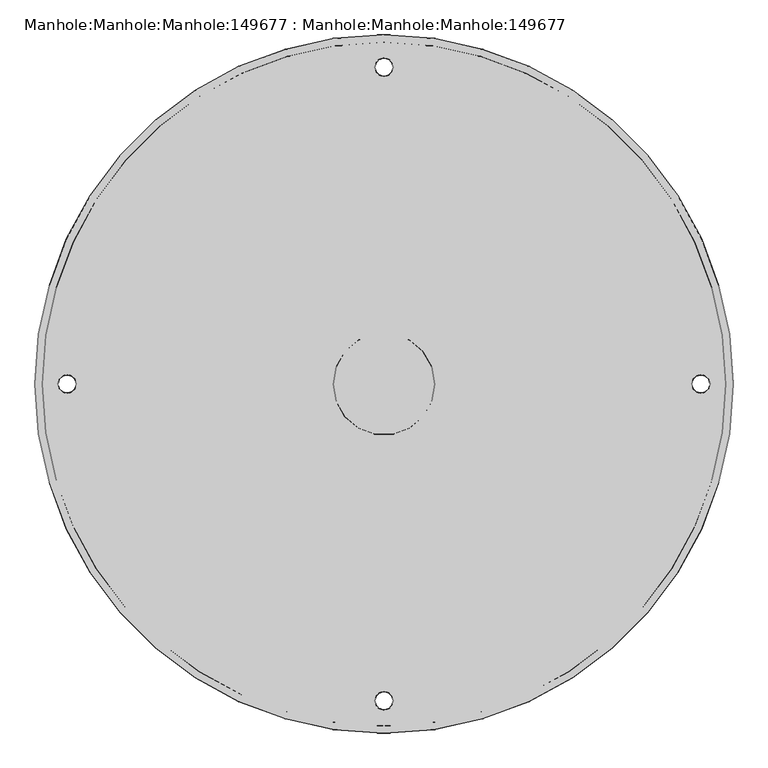
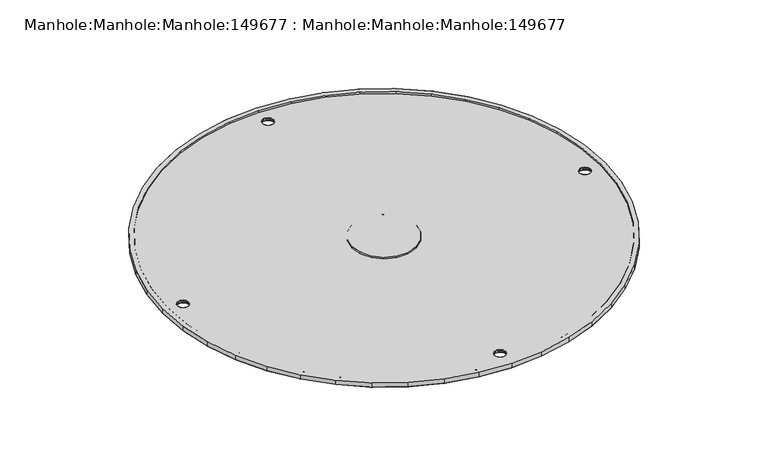
"""IFC4 building model written with IfcOpenShell, lengths in millimetres: proxy geometry, Manhole:Manhole:Manhole:149677 : Manhole:Manhole:Manhole:149677."""

from ifc_helpers import new_model, si_unit, origin, place, context, project, spatial, triangles, source, transform, mapped, element, save


def manhole_manhole_manhole_149677_manhole_manhole_manhole_b20cdffa(model_context):
    return source(origin(), model_context, "Body", "Tessellation", [
        triangles([(-95945.9947266, 1813.5850857, 238346.7353027), (-95952.198999, 1900.3393833, 238347.0887695), (-95970.6908936, 1985.3278004, 238347.4422363), (-96001.0890381, 2066.8199192, 238347.7770996), (-96042.7702148, 2143.1568295, 238348.0933594), (-96094.8879639, 2212.7847015, 238348.3910156), (-96156.3911865, 2274.2860348, 238348.6514648), (-96226.0241455, 2326.4088707, 238348.8561035), (-96302.3636719, 2368.0919369, 238349.0421387), (-96383.8563721, 2398.4870293, 238349.1537598), (-96468.8465332, 2416.9749996, 238349.2281738), (-96555.5947266, 2423.1798534, 238349.2653809), (-96642.3522217, 2416.9749996, 238349.2281738), (-96727.3423828, 2398.4870293, 238349.1537598), (-96808.835083, 2368.0919369, 238349.0421387), (-96885.1746094, 2326.4088707, 238348.8561035), (-96954.7982666, 2274.2860348, 238348.6514648), (-97016.3014893, 2212.7847015, 238348.3910156), (-97068.42854, 2143.1568295, 238348.0933594), (-97110.1097168, 2066.8199192, 238347.7770996), (-97140.5078613, 1985.3278004, 238347.4422363), (-97158.9904541, 1900.3393833, 238347.0887695), (-97165.1947266, 1813.5850857, 238346.7353027), (-97158.9904541, 1726.8306427, 238346.3818359), (-97140.5078613, 1641.842371, 238346.0283691), (-97110.1097168, 1560.3502522, 238345.6935059), (-97068.42854, 1484.0131966, 238345.3772461), (-97016.3014893, 1414.3853245, 238345.0795898), (-96954.7982666, 1352.8841366, 238344.8191406), (-96885.1746094, 1300.7613007, 238344.614502), (-96808.835083, 1259.0780891, 238344.4470703), (-96727.3423828, 1228.6831421, 238344.3168457), (-96642.3522217, 1210.1950991, 238344.2424316), (-96555.5947266, 1203.9903179, 238344.2052246), (-96468.8465332, 1210.1950991, 238344.2424316), (-96383.8563721, 1228.6831421, 238344.3168457), (-96302.3636719, 1259.0780891, 238344.4470703), (-96226.0241455, 1300.7613007, 238344.614502), (-96156.3911865, 1352.8841366, 238344.8191406), (-96094.8879639, 1414.3853245, 238345.0795898), (-96042.7702148, 1484.0131966, 238345.3772461), (-96001.0890381, 1560.3502522, 238345.6935059), (-95970.6908936, 1641.842371, 238346.0283691), (-95952.198999, 1726.8306427, 238346.3818359), (-97152.4978271, 1813.5850857, 238346.7353027), (-97146.4237793, 1898.5320808, 238347.0887695), (-97128.3225586, 1981.7498211, 238347.4236328), (-97098.5569336, 2061.5442238, 238347.7584961), (-97057.7408203, 2136.2908241, 238348.0747559), (-97006.7020752, 2204.468058, 238348.3538086), (-96946.4824951, 2264.6880741, 238348.5956543), (-96878.3099121, 2315.7249298, 238348.8188965), (-96803.5609863, 2356.539735, 238348.9863281), (-96723.7612061, 2386.3015812, 238349.1165527), (-96640.5476807, 2404.4044006, 238349.1909668), (-96555.5947266, 2410.4799019, 238349.2095703), (-96470.6510742, 2404.4044006, 238349.1909668), (-96387.4282471, 2386.3015812, 238349.1165527), (-96307.6377686, 2356.539735, 238348.9863281), (-96232.8888428, 2315.7249298, 238348.8188965), (-96164.706958, 2264.6880741, 238348.5956543), (-96104.4873779, 2204.468058, 238348.3538086), (-96053.4486328, 2136.2908241, 238348.0747559), (-96012.6418213, 2061.5442238, 238347.7584961), (-95982.8761963, 1981.7498211, 238347.4236328), (-95964.7749756, 1898.5320808, 238347.0887695), (-95958.7009277, 1813.5850857, 238346.7353027), (-95964.7749756, 1728.6380905, 238346.3818359), (-95982.8761963, 1645.4203503, 238346.0469727), (-96012.6418213, 1565.6259476, 238345.7121094), (-96053.4486328, 1490.8793472, 238345.3958496), (-96104.4873779, 1422.7021133, 238345.1167969), (-96164.706958, 1362.4819519, 238344.8749512), (-96232.8888428, 1311.4450962, 238344.651709), (-96307.6377686, 1270.6304363, 238344.4842773), (-96387.4282471, 1240.8685902, 238344.3726563), (-96470.6510742, 1222.7657707, 238344.2982422), (-96555.5947266, 1216.6901968, 238344.2610352), (-96640.5476807, 1222.7657707, 238344.2982422), (-96723.7612061, 1240.8685902, 238344.3726563), (-96803.5609863, 1270.6304363, 238344.4842773), (-96878.3099121, 1311.4450962, 238344.651709), (-96946.4824951, 1362.4819519, 238344.8749512), (-97006.7020752, 1422.7021133, 238345.1167969), (-97057.7408203, 1490.8793472, 238345.3958496), (-97098.5569336, 1565.6259476, 238345.7121094), (-97128.3225586, 1645.4203503, 238346.0469727), (-97146.4237793, 1728.6380905, 238346.3818359), (-96644.5009277, 1813.5850857, 238346.7353027), (-96639.1338135, 1783.1796741, 238346.6050781), (-96623.7021973, 1756.4417713, 238346.493457), (-96600.0478271, 1736.596035, 238346.419043), (-96571.0356445, 1726.0363598, 238346.3818359), (-96540.1631104, 1726.0363598, 238346.3818359), (-96511.1509277, 1736.596035, 238346.419043), (-96487.4965576, 1756.4417713, 238346.493457), (-96472.0556396, 1783.1796741, 238346.6050781), (-96466.6978271, 1813.5850857, 238346.7353027), (-96472.0556396, 1843.9903519, 238346.8655273), (-96487.4965576, 1870.7284, 238346.9771484), (-96511.1509277, 1890.5741364, 238347.0515625), (-96540.1631104, 1901.1336662, 238347.107373), (-96571.0356445, 1901.1336662, 238347.107373), (-96600.0478271, 1890.5741364, 238347.0515625), (-96623.7021973, 1870.7284, 238346.9771484), (-96639.1338135, 1843.9903519, 238346.8655273), (-95945.9947266, 1813.6376987, 238334.0291016), (-95952.198999, 1726.8832558, 238333.6756348), (-95970.6908936, 1641.8949841, 238333.322168), (-96001.0890381, 1560.4028652, 238332.9873047), (-96042.7702148, 1484.0658096, 238332.6710449), (-96094.8879639, 1414.4379375, 238332.3919922), (-96156.3911865, 1352.9367496, 238332.131543), (-96226.0241455, 1300.8139137, 238331.9083008), (-96302.3636719, 1259.1307022, 238331.7408691), (-96383.8563721, 1228.7357552, 238331.6106445), (-96468.8465332, 1210.2477121, 238331.5362305), (-96555.5947266, 1204.042931, 238331.517627), (-96642.3522217, 1210.2477121, 238331.5362305), (-96727.3423828, 1228.7357552, 238331.6106445), (-96808.835083, 1259.1307022, 238331.7408691), (-96885.1746094, 1300.8139137, 238331.9083008), (-96954.7982666, 1352.9367496, 238332.131543), (-97016.3014893, 1414.4379375, 238332.3919922), (-97068.42854, 1484.0658096, 238332.6710449), (-97110.1097168, 1560.4028652, 238332.9873047), (-97140.5078613, 1641.8949841, 238333.322168), (-97158.9904541, 1726.8832558, 238333.6756348), (-97165.1947266, 1813.6376987, 238334.0291016), (-97158.9904541, 1900.3919964, 238334.4011719), (-97140.5078613, 1985.3804134, 238334.7546387), (-97110.1097168, 2066.8725323, 238335.089502), (-97068.42854, 2143.2094425, 238335.4057617), (-97016.3014893, 2212.8373146, 238335.6848145), (-96954.7982666, 2274.3386478, 238335.9452637), (-96885.1746094, 2326.4614838, 238336.1685059), (-96808.835083, 2368.1445499, 238336.3359375), (-96727.3423828, 2398.539497, 238336.4661621), (-96642.3522217, 2417.0276127, 238336.5405762), (-96555.5947266, 2423.2324665, 238336.5591797), (-96468.8465332, 2417.0276127, 238336.5405762), (-96383.8563721, 2398.539497, 238336.4661621), (-96302.3636719, 2368.1445499, 238336.3359375), (-96226.0241455, 2326.4614838, 238336.1685059), (-96156.3911865, 2274.3386478, 238335.9452637), (-96094.8879639, 2212.8373146, 238335.6848145), (-96042.7702148, 2143.2094425, 238335.4057617), (-96001.0890381, 2066.8725323, 238335.089502), (-95970.6908936, 1985.3804134, 238334.7546387), (-95952.198999, 1900.3919964, 238334.4011719), (-96539.5864014, 1260.2957474, 238331.7408691), (-96541.1677002, 1267.2424164, 238331.7780762), (-96545.6139404, 1272.8132973, 238331.7966797), (-96552.0321533, 1275.9048237, 238331.8152832), (-96559.1572998, 1275.9048237, 238331.8152832), (-96565.5755127, 1272.8132973, 238331.7966797), (-96570.0217529, 1267.2424164, 238331.7780762), (-96571.6123535, 1260.2957474, 238331.7408691), (-96570.0217529, 1253.3490784, 238331.7222656), (-96565.5755127, 1247.7781975, 238331.6850586), (-96559.1572998, 1244.6866711, 238331.6850586), (-96552.0321533, 1244.6866711, 238331.6850586), (-96545.6139404, 1247.7781975, 238331.6850586), (-96541.1677002, 1253.3490784, 238331.7222656), (-96539.5864014, 2366.9796501, 238336.3359375), (-96541.1677002, 2373.9263191, 238336.354541), (-96545.6139404, 2379.4970547, 238336.3731445), (-96552.0321533, 2382.5887264, 238336.391748), (-96559.1572998, 2382.5887264, 238336.391748), (-96565.5755127, 2379.4970547, 238336.3731445), (-96570.0217529, 2373.9263191, 238336.354541), (-96571.6123535, 2366.9796501, 238336.3359375), (-96570.0217529, 2360.0329811, 238336.2987305), (-96565.5755127, 2354.4621002, 238336.280127), (-96559.1572998, 2351.3705738, 238336.2615234), (-96552.0321533, 2351.3705738, 238336.2615234), (-96545.6139404, 2354.4621002, 238336.280127), (-96541.1677002, 2360.0329811, 238336.2987305), (-97092.9293701, 1813.6376987, 238334.0291016), (-97094.5199707, 1820.5843678, 238334.0663086), (-97098.9569092, 1826.1551033, 238334.0849121), (-97105.3844238, 1829.2467751, 238334.1035156), (-97112.5095703, 1829.2467751, 238334.1035156), (-97118.9277832, 1826.1551033, 238334.0849121), (-97123.3647217, 1820.5843678, 238334.0663086), (-97124.9553223, 1813.6376987, 238334.0291016), (-97123.3647217, 1806.6910297, 238334.010498), (-97118.9277832, 1801.1201488, 238333.9918945), (-97112.5095703, 1798.0286224, 238333.973291), (-97105.3844238, 1798.0286224, 238333.973291), (-97098.9569092, 1801.1201488, 238333.9918945), (-97094.5199707, 1806.6910297, 238334.010498), (-96018.260083, 1813.6376987, 238334.0291016), (-96016.6787842, 1806.6910297, 238334.010498), (-96012.2325439, 1801.1201488, 238333.9918945), (-96005.8143311, 1798.0286224, 238333.973291), (-95998.6891846, 1798.0286224, 238333.973291), (-95992.2709717, 1801.1201488, 238333.9918945), (-95987.8247314, 1806.6910297, 238334.010498), (-95986.2434326, 1813.6376987, 238334.0291016), (-95987.8247314, 1820.5843678, 238334.0663086), (-95992.2709717, 1826.1551033, 238334.0849121), (-95998.6891846, 1829.2467751, 238334.1035156), (-96005.8143311, 1829.2467751, 238334.1035156), (-96012.2325439, 1826.1551033, 238334.0849121), (-96016.6787842, 1820.5843678, 238334.0663086), (-96570.5333496, 1264.2655632, 238339.7031738), (-96569.4636475, 1268.2680805, 238339.7217773), (-96544.6651611, 1271.1982796, 238339.7217773), (-96543.3908203, 1270.0278568, 238331.7780762), (-96567.7986328, 1270.0278568, 238331.7780762), (-96570.8124023, 1263.7690819, 238331.7594727), (-96571.6123535, 1260.2629005, 238339.6845703), (-96540.6561035, 1264.2655632, 238339.7031738), (-96540.3770508, 1263.7690819, 238331.7594727), (-96539.5864014, 1260.2629005, 238339.6845703), (-96563.60354, 1274.1283333, 238339.7403809), (-96566.5335938, 1271.1982796, 238339.7217773), (-96555.5947266, 1276.2734058, 238339.7403809), (-96555.5947266, 1275.9048237, 238331.8152832), (-96548.8230469, 1274.3589878, 238331.7966797), (-96547.5952148, 1274.1283333, 238339.7403809), (-96551.5949707, 1275.2007969, 238339.7403809), (-96559.6037842, 1275.2007969, 238339.7403809), (-96562.3664063, 1274.3589878, 238331.7966797), (-96541.7351074, 1268.2680805, 238339.7217773), (-96541.7351074, 1252.2575752, 238339.6473633), (-96540.6561035, 1256.2602379, 238339.6659668), (-96567.7986328, 1250.5636379, 238331.7036621), (-96566.5335938, 1249.3275215, 238339.6287598), (-96543.3908203, 1250.5636379, 238331.7036621), (-96540.3770508, 1256.8224129, 238331.7222656), (-96570.8124023, 1256.8224129, 238331.7222656), (-96570.5333496, 1256.2602379, 238339.6659668), (-96544.6651611, 1249.3275215, 238339.6287598), (-96547.5952148, 1246.3973225, 238339.6287598), (-96555.5947266, 1244.6866711, 238331.6850586), (-96555.5947266, 1244.2523952, 238339.6101563), (-96563.60354, 1246.3973225, 238339.6287598), (-96562.3664063, 1246.2325069, 238331.6850586), (-96559.6037842, 1245.3248589, 238339.6287598), (-96551.5949707, 1245.3248589, 238339.6287598), (-96548.8230469, 1246.2325069, 238331.6850586), (-96569.4636475, 1252.2575752, 238339.6473633), (-96569.4636475, 2374.9519833, 238344.2982422), (-96570.5333496, 2370.9493206, 238344.2796387), (-96543.3908203, 2376.7116142, 238336.3731445), (-96544.6651611, 2377.882037, 238344.3168457), (-96567.7986328, 2376.7116142, 238336.3731445), (-96571.6123535, 2366.9466579, 238344.2610352), (-96570.8124023, 2370.4529846, 238336.3359375), (-96539.5864014, 2366.9466579, 238344.2610352), (-96540.3770508, 2370.4529846, 238336.3359375), (-96540.6561035, 2370.9493206, 238344.2796387), (-96566.5335938, 2377.882037, 238344.3168457), (-96563.60354, 2380.812236, 238344.3168457), (-96555.5947266, 2382.5887264, 238336.391748), (-96555.5947266, 2382.9571632, 238344.3354492), (-96547.5952148, 2380.812236, 238344.3168457), (-96548.8230469, 2381.0428905, 238336.391748), (-96551.5949707, 2381.8846996, 238344.3354492), (-96559.6037842, 2381.8846996, 238344.3354492), (-96562.3664063, 2381.0428905, 238336.391748), (-96541.7351074, 2374.9519833, 238344.2982422), (-96540.6561035, 2362.9441406, 238344.2424316), (-96541.7351074, 2358.941478, 238344.2238281), (-96566.5335938, 2356.0112789, 238344.2238281), (-96567.7986328, 2357.2475407, 238336.280127), (-96543.3908203, 2357.2475407, 238336.280127), (-96540.3770508, 2363.5063156, 238336.317334), (-96570.5333496, 2362.9441406, 238344.2424316), (-96570.8124023, 2363.5063156, 238336.317334), (-96547.5952148, 2353.0812252, 238344.2052246), (-96544.6651611, 2356.0112789, 238344.2238281), (-96555.5947266, 2350.936298, 238344.2052246), (-96555.5947266, 2351.3705738, 238336.2615234), (-96562.3664063, 2352.9162643, 238336.2615234), (-96563.60354, 2353.0812252, 238344.2052246), (-96559.6037842, 2352.0087616, 238344.2052246), (-96551.5949707, 2352.0087616, 238344.2052246), (-96548.8230469, 2352.9162643, 238336.2615234), (-96569.4636475, 2358.941478, 238344.2238281), (-97122.8066162, 1821.6100319, 238342.0100098), (-97123.8856201, 1817.6073692, 238341.9914063), (-97098.0081299, 1824.5400856, 238342.0100098), (-97096.7430908, 1823.3698082, 238334.0849121), (-97121.1509033, 1823.3698082, 238334.0849121), (-97124.9553223, 1813.6047066, 238341.9728027), (-97124.1646729, 1817.1110332, 238334.0477051), (-97094.008374, 1817.6073692, 238341.9914063), (-97093.7293213, 1817.1110332, 238334.0477051), (-97092.9293701, 1813.6047066, 238341.9728027), (-97119.8765625, 1824.5400856, 238342.0100098), (-97116.9465088, 1827.4702847, 238342.0286133), (-97108.9469971, 1829.2467751, 238334.1035156), (-97108.9469971, 1829.6153572, 238342.0472168), (-97102.1753174, 1827.7009392, 238334.1035156), (-97100.9381836, 1827.4702847, 238342.0286133), (-97104.9379395, 1828.5427483, 238342.0286133), (-97112.9467529, 1828.5427483, 238342.0286133), (-97115.7186768, 1827.7009392, 238334.1035156), (-97095.0780762, 1821.6100319, 238342.0100098), (-97094.008374, 1809.6021893, 238341.9541992), (-97095.0780762, 1805.5995266, 238341.9355957), (-97121.1509033, 1803.9055893, 238333.9918945), (-97119.8765625, 1802.6694729, 238341.9355957), (-97096.7430908, 1803.9055893, 238333.9918945), (-97093.7293213, 1810.1643642, 238334.0291016), (-97124.1646729, 1810.1643642, 238334.0291016), (-97123.8856201, 1809.6021893, 238341.9541992), (-97100.9381836, 1799.7392738, 238341.9169922), (-97098.0081299, 1802.6694729, 238341.9355957), (-97108.9469971, 1798.0286224, 238333.973291), (-97108.9469971, 1797.5943466, 238341.8983887), (-97116.9465088, 1799.7392738, 238341.9169922), (-97115.7186768, 1799.574313, 238333.973291), (-97112.9467529, 1798.6668102, 238341.9169922), (-97104.9379395, 1798.6668102, 238341.9169922), (-97102.1753174, 1799.574313, 238333.973291), (-97122.8066162, 1805.5995266, 238341.9355957), (-95988.3828369, 1805.5995266, 238341.9355957), (-95987.3131348, 1809.6021893, 238341.9541992), (-96013.190625, 1802.6694729, 238341.9355957), (-96014.4556641, 1803.9055893, 238333.9918945), (-95990.0478516, 1803.9055893, 238333.9918945), (-95986.2434326, 1813.6047066, 238341.9728027), (-95987.034082, 1810.1643642, 238334.0291016), (-96017.1903809, 1809.6021893, 238341.9541992), (-96017.4694336, 1810.1643642, 238334.0291016), (-96018.260083, 1813.6047066, 238341.9728027), (-95991.3128906, 1802.6694729, 238341.9355957), (-95994.2429443, 1799.7392738, 238341.9169922), (-96002.2517578, 1798.0286224, 238333.973291), (-96002.2517578, 1797.5943466, 238341.8983887), (-96009.0234375, 1799.574313, 238333.973291), (-96010.2512695, 1799.7392738, 238341.9169922), (-96006.2515137, 1798.6668102, 238341.9169922), (-95998.252002, 1798.6668102, 238341.9169922), (-95995.4800781, 1799.574313, 238333.973291), (-96016.1206787, 1805.5995266, 238341.9355957), (-96017.1903809, 1817.6073692, 238341.9914063), (-96016.1206787, 1821.6100319, 238342.0100098), (-95990.0478516, 1823.3698082, 238334.0849121), (-95991.3128906, 1824.5400856, 238342.0100098), (-96014.4556641, 1823.3698082, 238334.0849121), (-96017.4694336, 1817.1110332, 238334.0477051), (-95987.034082, 1817.1110332, 238334.0477051), (-95987.3131348, 1817.6073692, 238341.9914063), (-96010.2512695, 1827.4702847, 238342.0286133), (-96013.190625, 1824.5400856, 238342.0100098), (-96002.2517578, 1829.2467751, 238334.1035156), (-96002.2517578, 1829.6153572, 238342.0472168), (-95994.2429443, 1827.4702847, 238342.0286133), (-95995.4800781, 1827.7009392, 238334.1035156), (-95998.252002, 1828.5427483, 238342.0286133), (-96006.2515137, 1828.5427483, 238342.0286133), (-96009.0234375, 1827.7009392, 238334.1035156), (-95988.3828369, 1821.6100319, 238342.0100098), (-95958.7009277, 1813.6048519, 238341.9728027), (-95964.7749756, 1898.5518471, 238342.3262695), (-95982.8761963, 1981.769442, 238342.6797363), (-96012.6418213, 2061.5638447, 238342.9959961), (-96053.4486328, 2136.3105904, 238343.3122559), (-96104.4873779, 2204.4878242, 238343.5913086), (-96164.706958, 2264.7078403, 238343.8331543), (-96232.8888428, 2315.744696, 238344.0563965), (-96307.6377686, 2356.5595013, 238344.2238281), (-96387.4282471, 2386.3212021, 238344.3540527), (-96470.6510742, 2404.4241669, 238344.4284668), (-96555.5947266, 2410.4996681, 238344.4470703), (-96640.5476807, 2404.4241669, 238344.4284668), (-96723.7612061, 2386.3212021, 238344.3540527), (-96803.5609863, 2356.5595013, 238344.2238281), (-96878.3099121, 2315.744696, 238344.0563965), (-96946.4824951, 2264.7078403, 238343.8331543), (-97006.7020752, 2204.4878242, 238343.5913086), (-97057.7408203, 2136.3105904, 238343.3122559), (-97098.5569336, 2061.5638447, 238342.9959961), (-97128.3225586, 1981.769442, 238342.6797363), (-97146.4237793, 1898.5518471, 238342.3262695), (-97152.4978271, 1813.6048519, 238341.9728027), (-97146.4237793, 1728.6578568, 238341.6193359), (-97128.3225586, 1645.4401165, 238341.2844727), (-97098.5569336, 1565.6457138, 238340.9496094), (-97057.7408203, 1490.8991135, 238340.6333496), (-97006.7020752, 1422.7217342, 238340.3542969), (-96946.4824951, 1362.5017181, 238340.1124512), (-96878.3099121, 1311.4648624, 238339.889209), (-96803.5609863, 1270.6500572, 238339.7217773), (-96723.7612061, 1240.8883564, 238339.6101563), (-96640.5476807, 1222.7853916, 238339.5357422), (-96555.5947266, 1216.7098904, 238339.4985352), (-96470.6510742, 1222.7853916, 238339.5357422), (-96387.4282471, 1240.8883564, 238339.6101563), (-96307.6377686, 1270.6500572, 238339.7217773), (-96232.8888428, 1311.4648624, 238339.889209), (-96164.706958, 1362.5017181, 238340.1124512), (-96104.4873779, 1422.7217342, 238340.3542969), (-96053.4486328, 1490.8991135, 238340.6333496), (-96012.6418213, 1565.6457138, 238340.9496094), (-95982.8761963, 1645.4401165, 238341.2844727), (-95964.7749756, 1728.6578568, 238341.6193359), (-96466.6978271, 1813.6048519, 238341.9728027), (-96472.0556396, 1783.1994404, 238341.8425781), (-96487.4965576, 1756.4613922, 238341.730957), (-96511.1509277, 1736.6158012, 238341.656543), (-96540.1631104, 1726.056126, 238341.6193359), (-96571.0356445, 1726.056126, 238341.6193359), (-96600.0478271, 1736.6158012, 238341.656543), (-96623.7021973, 1756.4613922, 238341.730957), (-96639.1338135, 1783.1994404, 238341.8425781), (-96644.5009277, 1813.6048519, 238341.9728027), (-96639.1338135, 1844.0101181, 238342.1030273), (-96623.7021973, 1870.7481663, 238342.2146484), (-96600.0478271, 1890.5937572, 238342.2890625), (-96571.0356445, 1901.1534325, 238342.344873), (-96540.1631104, 1901.1534325, 238342.344873), (-96511.1509277, 1890.5937572, 238342.2890625), (-96487.4965576, 1870.7481663, 238342.2146484), (-96472.0556396, 1844.0101181, 238342.1030273)], [[38, 74, 75], [74, 38, 39], [39, 40, 73], [39, 73, 74], [35, 36, 77], [77, 36, 76], [35, 77, 78], [76, 37, 75], [37, 76, 36], [75, 37, 38], [73, 40, 72], [43, 44, 68], [44, 67, 68], [67, 44, 1], [67, 1, 66], [43, 68, 69], [72, 41, 71], [41, 72, 40], [71, 41, 42], [42, 69, 70], [69, 42, 43], [42, 70, 71], [33, 34, 79], [79, 80, 33], [78, 79, 34], [34, 35, 78], [33, 80, 32], [32, 81, 31], [81, 32, 80], [31, 81, 82], [29, 30, 83], [82, 30, 31], [82, 83, 30], [84, 29, 83], [29, 84, 28], [85, 27, 28], [27, 85, 86], [85, 28, 84], [25, 26, 87], [86, 26, 27], [87, 26, 86], [88, 24, 25], [24, 88, 45], [88, 25, 87], [66, 2, 65], [2, 66, 1], [64, 65, 3], [3, 65, 2], [64, 3, 4], [4, 63, 64], [63, 4, 5], [63, 5, 62], [62, 6, 61], [6, 62, 5], [61, 6, 7], [60, 7, 8], [8, 9, 59], [59, 9, 58], [8, 59, 60], [58, 10, 57], [10, 58, 9], [57, 10, 11], [56, 11, 12], [11, 56, 57], [56, 12, 55], [60, 61, 7], [48, 20, 21], [20, 48, 49], [19, 49, 18], [18, 49, 50], [49, 19, 20], [45, 46, 23], [23, 46, 22], [45, 23, 24], [22, 47, 21], [47, 22, 46], [21, 47, 48], [53, 54, 14], [13, 14, 54], [13, 55, 12], [13, 54, 55], [53, 14, 15], [50, 17, 18], [50, 51, 17], [17, 51, 16], [52, 15, 16], [15, 52, 53], [52, 16, 51], [104, 105, 106], [104, 106, 103], [103, 106, 89], [99, 102, 98], [101, 99, 100], [99, 101, 102], [98, 102, 103], [103, 89, 98], [90, 91, 92], [92, 93, 90], [90, 93, 94], [89, 97, 98], [97, 95, 96], [95, 97, 94], [94, 97, 89], [89, 90, 94], [148, 206, 147], [149, 205, 148], [150, 203, 204], [203, 150, 202], [149, 150, 205], [146, 147, 206], [177, 142, 143], [144, 177, 143], [176, 145, 146], [144, 145, 176], [178, 141, 142], [204, 205, 150], [202, 107, 201], [107, 202, 150], [201, 107, 200], [199, 200, 107], [198, 199, 107], [198, 108, 197], [206, 176, 146], [205, 206, 148], [196, 197, 108], [154, 193, 194], [194, 195, 110], [176, 206, 193], [198, 107, 108], [193, 179, 175], [140, 167, 168], [140, 141, 167], [140, 168, 169], [165, 166, 141], [178, 165, 141], [141, 166, 167], [173, 138, 139], [170, 140, 169], [139, 140, 170], [171, 172, 139], [170, 171, 139], [172, 173, 139], [174, 137, 138], [174, 136, 137], [176, 193, 175], [136, 174, 175], [144, 176, 177], [174, 138, 173], [175, 134, 135], [135, 136, 175], [133, 134, 180], [133, 180, 132], [132, 181, 131], [131, 181, 130], [175, 180, 134], [178, 142, 177], [195, 196, 108], [195, 109, 110], [194, 110, 111], [154, 194, 112], [194, 111, 112], [113, 154, 112], [154, 114, 153], [153, 114, 115], [155, 193, 154], [193, 155, 179], [153, 115, 116], [154, 113, 114], [122, 155, 156], [151, 152, 117], [164, 151, 117], [164, 117, 163], [117, 152, 116], [163, 117, 118], [152, 153, 116], [158, 159, 119], [157, 158, 119], [162, 118, 161], [118, 162, 163], [160, 161, 118], [160, 119, 159], [119, 160, 118], [156, 157, 120], [182, 130, 181], [181, 132, 180], [179, 155, 192], [191, 192, 126], [179, 180, 175], [184, 185, 129], [184, 129, 130], [186, 187, 129], [188, 129, 187], [186, 129, 185], [184, 130, 183], [182, 183, 130], [123, 124, 155], [192, 155, 124], [121, 122, 156], [123, 155, 122], [125, 192, 124], [189, 190, 128], [188, 189, 128], [128, 191, 127], [190, 191, 128], [126, 127, 191], [125, 126, 192], [188, 128, 129], [156, 120, 121], [119, 120, 157], [195, 108, 109], [27, 26, 125], [126, 125, 26], [26, 25, 127], [127, 126, 26], [28, 27, 125], [125, 124, 28], [32, 31, 120], [121, 120, 31], [33, 32, 120], [120, 119, 33], [30, 29, 122], [123, 122, 29], [31, 30, 121], [122, 121, 30], [29, 28, 124], [124, 123, 29], [34, 33, 119], [119, 118, 34], [127, 25, 24], [24, 128, 127], [128, 24, 23], [23, 129, 128], [38, 37, 115], [115, 114, 38], [36, 35, 116], [117, 116, 35], [37, 36, 116], [116, 115, 37], [39, 38, 114], [114, 113, 39], [43, 42, 109], [110, 109, 42], [44, 43, 109], [109, 108, 44], [41, 40, 111], [112, 111, 40], [42, 41, 111], [111, 110, 42], [40, 39, 112], [113, 112, 39], [1, 44, 108], [108, 107, 1], [118, 117, 34], [35, 34, 117], [1, 107, 150], [150, 2, 1], [3, 149, 4], [148, 4, 149], [2, 150, 149], [149, 3, 2], [4, 148, 147], [147, 5, 4], [11, 10, 142], [142, 141, 11], [6, 146, 7], [145, 7, 146], [12, 11, 140], [141, 140, 11], [5, 147, 146], [146, 6, 5], [7, 145, 144], [144, 8, 7], [144, 143, 9], [9, 8, 144], [10, 9, 142], [143, 142, 9], [16, 15, 136], [137, 136, 15], [14, 13, 138], [139, 138, 13], [15, 14, 138], [138, 137, 15], [17, 16, 136], [136, 135, 17], [21, 20, 131], [132, 131, 20], [22, 21, 131], [131, 130, 22], [19, 18, 134], [134, 133, 19], [20, 19, 133], [133, 132, 20], [18, 17, 134], [135, 134, 17], [23, 22, 129], [130, 129, 22], [140, 139, 13], [13, 12, 140], [207, 157, 208], [209, 153, 210], [208, 157, 211], [158, 212, 213], [214, 215, 216], [156, 217, 218], [154, 219, 220], [155, 220, 219], [221, 153, 222], [211, 218, 208], [212, 157, 207], [212, 207, 213], [222, 223, 221], [155, 219, 224], [214, 152, 215], [217, 225, 224], [211, 156, 218], [209, 222, 153], [221, 223, 154], [155, 224, 225], [209, 210, 226], [214, 226, 152], [223, 219, 154], [151, 216, 215], [152, 226, 210], [217, 156, 225], [227, 164, 228], [229, 160, 230], [231, 164, 227], [216, 232, 151], [213, 233, 234], [235, 236, 163], [161, 237, 238], [162, 238, 237], [239, 160, 240], [227, 235, 231], [228, 164, 232], [216, 228, 232], [240, 241, 239], [242, 238, 162], [233, 159, 234], [242, 243, 236], [235, 163, 231], [160, 239, 230], [161, 241, 240], [243, 242, 162], [244, 229, 230], [159, 244, 234], [161, 238, 241], [233, 213, 158], [229, 244, 159], [243, 163, 236], [245, 171, 246], [247, 167, 248], [249, 171, 245], [250, 251, 172], [252, 253, 254], [255, 256, 170], [258, 168, 257], [257, 169, 258], [259, 167, 260], [245, 255, 249], [246, 171, 251], [250, 246, 251], [260, 261, 259], [262, 258, 169], [253, 166, 254], [262, 263, 256], [255, 170, 249], [167, 259, 248], [168, 261, 260], [263, 262, 169], [264, 247, 248], [166, 264, 254], [168, 258, 261], [253, 252, 165], [247, 264, 166], [263, 170, 256], [265, 178, 266], [267, 174, 268], [266, 178, 269], [165, 270, 252], [271, 272, 250], [177, 273, 274], [175, 275, 276], [176, 276, 275], [277, 174, 278], [269, 274, 266], [270, 178, 265], [270, 265, 252], [278, 279, 277], [176, 275, 280], [271, 173, 272], [273, 281, 280], [269, 177, 274], [267, 278, 174], [277, 279, 175], [176, 280, 281], [267, 268, 282], [271, 282, 173], [279, 275, 175], [172, 250, 272], [173, 282, 268], [273, 177, 281], [283, 185, 284], [285, 181, 286], [287, 185, 283], [288, 289, 186], [290, 291, 292], [293, 294, 184], [182, 295, 296], [183, 296, 295], [297, 181, 298], [283, 293, 287], [284, 185, 289], [288, 284, 289], [298, 299, 297], [300, 296, 183], [290, 180, 291], [300, 301, 294], [293, 184, 287], [285, 298, 181], [297, 299, 182], [301, 300, 183], [285, 286, 302], [290, 302, 180], [299, 296, 182], [291, 179, 292], [180, 302, 286], [301, 184, 294], [303, 192, 304], [305, 188, 306], [304, 192, 307], [179, 308, 292], [288, 309, 310], [191, 311, 312], [189, 313, 314], [190, 314, 313], [315, 188, 316], [307, 312, 304], [308, 192, 303], [308, 303, 292], [316, 317, 315], [190, 314, 318], [309, 187, 310], [311, 319, 318], [307, 191, 312], [188, 315, 306], [189, 317, 316], [190, 318, 319], [320, 305, 306], [187, 320, 310], [189, 314, 317], [309, 288, 186], [305, 320, 187], [311, 191, 319], [321, 199, 322], [323, 195, 324], [325, 199, 321], [326, 327, 200], [328, 329, 330], [331, 332, 198], [196, 333, 334], [197, 334, 333], [335, 195, 336], [321, 331, 325], [322, 199, 327], [326, 322, 327], [336, 337, 335], [338, 334, 197], [328, 194, 329], [338, 339, 332], [331, 198, 325], [323, 336, 195], [335, 337, 196], [339, 338, 197], [323, 324, 340], [328, 340, 194], [337, 334, 196], [193, 330, 329], [194, 340, 324], [339, 198, 332], [341, 206, 342], [343, 202, 344], [342, 206, 345], [330, 193, 346], [326, 347, 348], [205, 349, 350], [203, 351, 352], [204, 352, 351], [353, 202, 354], [345, 350, 342], [346, 206, 341], [346, 341, 330], [354, 355, 353], [204, 352, 356], [347, 201, 348], [349, 357, 356], [345, 205, 350], [202, 353, 344], [203, 355, 354], [204, 356, 357], [358, 343, 344], [201, 358, 348], [203, 352, 355], [347, 326, 200], [343, 358, 201], [349, 205, 357], [399, 405, 398], [399, 404, 405], [336, 401, 402], [334, 402, 332], [400, 401, 340], [399, 400, 404], [394, 226, 393], [395, 222, 394], [396, 397, 406], [405, 406, 397], [397, 398, 405], [396, 406, 395], [406, 222, 395], [334, 336, 402], [332, 359, 321], [359, 332, 402], [321, 359, 326], [358, 326, 359], [352, 353, 360], [358, 359, 353], [359, 360, 353], [340, 330, 404], [340, 404, 400], [420, 330, 342], [404, 330, 403], [361, 342, 349], [420, 403, 330], [401, 336, 340], [349, 352, 360], [392, 236, 238], [236, 392, 227], [392, 238, 239], [216, 393, 226], [394, 222, 226], [216, 227, 393], [392, 393, 227], [390, 391, 208], [244, 392, 239], [391, 392, 244], [208, 217, 390], [244, 213, 391], [208, 391, 213], [390, 217, 389], [217, 409, 389], [407, 219, 222], [408, 219, 407], [217, 219, 408], [409, 217, 408], [387, 409, 410], [389, 409, 388], [385, 410, 411], [409, 387, 388], [410, 386, 387], [386, 410, 385], [304, 383, 384], [384, 385, 411], [382, 383, 311], [411, 304, 384], [407, 222, 406], [361, 362, 342], [420, 342, 362], [364, 419, 363], [363, 420, 362], [419, 364, 365], [420, 363, 419], [419, 365, 418], [418, 273, 417], [416, 417, 275], [275, 417, 273], [418, 367, 273], [367, 418, 366], [366, 418, 365], [266, 273, 368], [252, 266, 369], [369, 264, 252], [370, 259, 264], [264, 369, 370], [369, 266, 368], [273, 367, 368], [372, 278, 282], [416, 275, 278], [258, 370, 256], [370, 258, 259], [245, 256, 370], [370, 371, 245], [250, 245, 371], [371, 282, 250], [304, 311, 383], [411, 292, 304], [311, 314, 382], [413, 292, 412], [292, 413, 302], [379, 298, 302], [315, 320, 381], [314, 315, 382], [283, 294, 381], [288, 381, 320], [381, 288, 283], [294, 380, 381], [315, 381, 382], [378, 302, 413], [412, 292, 411], [416, 278, 415], [375, 414, 415], [415, 278, 373], [374, 415, 373], [372, 373, 278], [282, 371, 372], [375, 415, 374], [298, 380, 296], [298, 379, 380], [296, 380, 294], [377, 378, 413], [378, 379, 302], [414, 376, 377], [414, 375, 376], [413, 414, 377], [349, 360, 361], [413, 412, 106], [89, 106, 412], [415, 414, 104], [105, 104, 414], [414, 413, 106], [106, 105, 414], [416, 415, 104], [104, 103, 416], [417, 416, 103], [103, 102, 417], [418, 417, 101], [102, 101, 417], [420, 419, 99], [100, 99, 419], [419, 418, 101], [101, 100, 419], [403, 420, 99], [99, 98, 403], [404, 403, 97], [98, 97, 403], [406, 405, 95], [96, 95, 405], [405, 404, 97], [97, 96, 405], [407, 406, 95], [95, 94, 407], [408, 407, 94], [94, 93, 408], [409, 408, 92], [93, 92, 408], [411, 410, 90], [91, 90, 410], [410, 409, 92], [92, 91, 410], [412, 411, 89], [90, 89, 411], [87, 88, 383], [382, 383, 88], [384, 86, 87], [87, 383, 384], [88, 45, 382], [381, 382, 45], [385, 85, 86], [86, 384, 385], [387, 83, 84], [84, 386, 387], [386, 84, 85], [85, 385, 386], [391, 79, 390], [80, 390, 79], [390, 80, 81], [81, 389, 390], [389, 81, 82], [82, 388, 389], [388, 82, 83], [83, 387, 388], [79, 391, 392], [392, 78, 79], [394, 76, 77], [77, 393, 394], [397, 73, 74], [74, 396, 397], [396, 74, 75], [75, 395, 396], [395, 75, 76], [76, 394, 395], [400, 70, 71], [71, 399, 400], [399, 71, 72], [72, 398, 399], [359, 67, 68], [68, 402, 359], [402, 68, 69], [69, 401, 402], [401, 69, 70], [70, 400, 401], [398, 72, 73], [73, 397, 398], [78, 392, 393], [393, 77, 78], [62, 63, 364], [363, 364, 63], [64, 65, 361], [361, 362, 64], [65, 66, 361], [360, 361, 66], [63, 64, 362], [362, 363, 63], [59, 60, 367], [366, 367, 60], [60, 61, 365], [365, 366, 60], [369, 57, 58], [58, 368, 369], [368, 58, 59], [59, 367, 368], [61, 62, 364], [364, 365, 61], [370, 56, 369], [57, 369, 56], [359, 360, 67], [66, 67, 360], [372, 54, 371], [55, 371, 54], [375, 51, 52], [52, 374, 375], [374, 52, 373], [53, 373, 52], [373, 53, 372], [54, 372, 53], [378, 48, 49], [49, 377, 378], [377, 49, 376], [50, 376, 49], [381, 45, 46], [46, 380, 381], [380, 46, 379], [47, 379, 46], [379, 47, 48], [48, 378, 379], [376, 50, 51], [51, 375, 376], [56, 370, 371], [371, 55, 56]], closed=False),
    ])


if __name__ == "__main__":
    model = new_model("IFC4")
    model_context = context("Model", 3, world=origin())
    ifc_project = project(units=[si_unit("LENGTHUNIT", "METRE", prefix="MILLI")], contexts=[model_context])
    site = spatial("IfcSite", under=ifc_project)
    building = spatial("IfcBuilding", under=site)
    placement = place(None, origin())
    manhole_manhole_manhole_149677_manhole_manhole_manhole_shape = manhole_manhole_manhole_149677_manhole_manhole_manhole_b20cdffa(model_context)
    element("IfcBuildingElementProxy", 1, Name="Manhole:Manhole:Manhole:149677 : Manhole:Manhole:Manhole:149677", ObjectType="Manhole:Manhole:Manhole:149677 : Manhole:Manhole:Manhole:149677", at=placement, inside=building, context=model_context, shape_type="MappedRepresentation", body=[
        mapped(manhole_manhole_manhole_149677_manhole_manhole_manhole_shape, transform((0.0, 0.0, 0.0), x_axis=(1.0, 0.0, 0.0), y_axis=(0.0, 1.0, 0.0), z_axis=(0.0, 0.0, 1.0))),
    ])
    save(model, "model.ifc")
